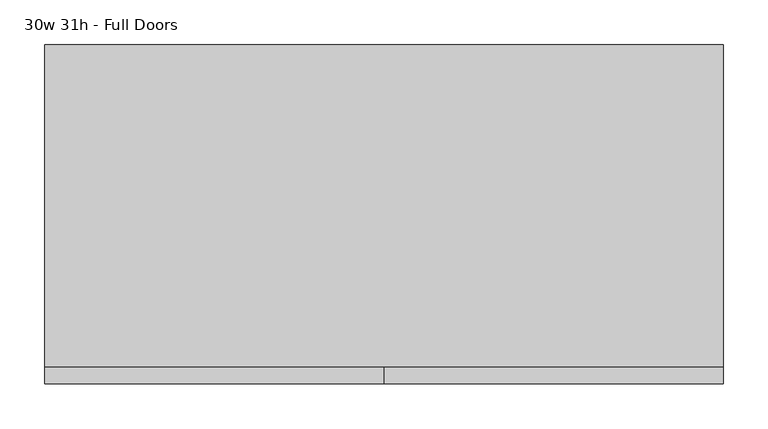
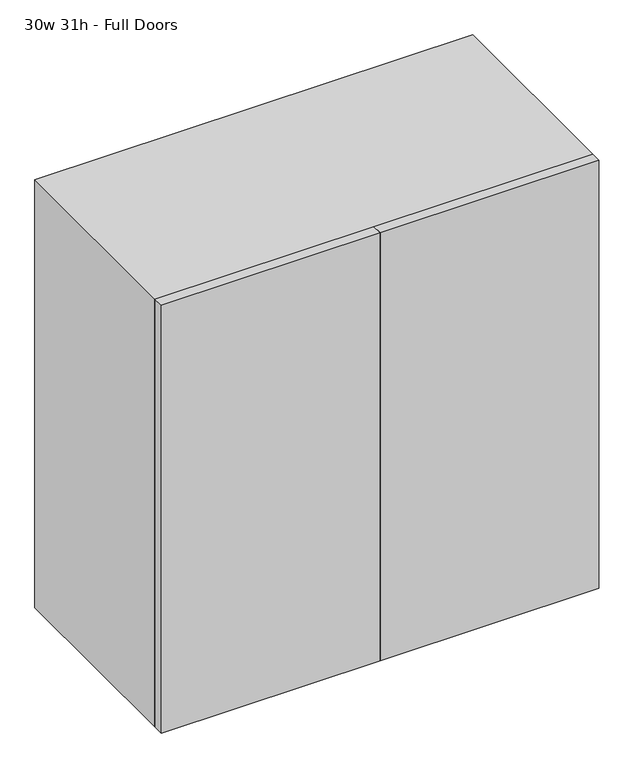
"""IFC4 building model written with IfcOpenShell, lengths in millimetres: furniture geometry, 30w 31h - Full Doors."""

from ifc_helpers import new_model, si_unit, frame, origin, place, context, project, spatial, polyline, outline, extrude, source, transform, mapped, element, save


def furniture_30w_31h_full_doors_8e504539(model_context):
    return source(origin(), model_context, "Body", "SweptSolid", [
        extrude(outline(polyline([(361.9569453, 161.925), (361.9569453, -180.975), (-361.9291641, -180.975), (-361.9291641, 161.925), (361.9569453, 161.925)])), frame((0.0, 0.0, 1258.3583333), z_axis=(0.0, 0.0, 1.0), x_axis=(1.0, 0.0, 0.0)), (0.0, 0.0, 1.0), 19.05),
        extrude(outline(polyline([(361.9569453, 161.925), (361.9569453, -180.975), (-361.9291641, -180.975), (-361.9291641, 161.925), (361.9569453, 161.925)])), frame((0.0, 0.0, 983.1916667), z_axis=(0.0, 0.0, 1.0), x_axis=(1.0, 0.0, 0.0)), (0.0, 0.0, 1.0), 19.05),
        extrude(outline(polyline([(0.0138906, -200.025), (0.0138906, -180.975), (381.0138906, -180.975), (381.0138906, -200.025), (0.0138906, -200.025)])), frame((0.0, 0.0, 736.6), z_axis=(0.0, 0.0, 1.0), x_axis=(1.0, 0.0, 0.0)), (0.0, 0.0, 1.0), 787.4),
        extrude(outline(polyline([(0.0138906, -200.025), (-380.9861094, -200.025), (-380.9861094, -180.975), (0.0138906, -180.975), (0.0138906, -200.025)])), frame((0.0, 0.0, 736.6), z_axis=(0.0, 0.0, 1.0), x_axis=(1.0, 0.0, 0.0)), (0.0, 0.0, 1.0), 787.4),
        extrude(outline(polyline([(736.6, -380.9861094), (736.6, 381.0138906), (1524.0, 381.0138906), (1524.0, -380.9861094), (736.6, -380.9861094)]), holes=[polyline([(755.65, -361.9361094), (1504.95, -361.9361094), (1504.95, 361.9569453), (755.65, 361.9569453), (755.65, -361.9361094)])]), frame((0.0, -180.975, 0.0), z_axis=(0.0, 1.0, 0.0), x_axis=(0.0, 0.0, 1.0)), (0.0, 0.0, 1.0), 361.95),
        extrude(outline(polyline([(-361.9291641, 161.925), (-361.9291641, 180.975), (361.9569453, 180.975), (361.9569453, 161.925), (-361.9291641, 161.925)])), frame((0.0, 0.0, 755.65), z_axis=(0.0, 0.0, 1.0), x_axis=(1.0, 0.0, 0.0)), (0.0, 0.0, 1.0), 749.3),
    ])


if __name__ == "__main__":
    model = new_model("IFC4")
    model_context = context("Model", 3, world=origin())
    ifc_project = project(units=[si_unit("LENGTHUNIT", "METRE", prefix="MILLI")], contexts=[model_context])
    site = spatial("IfcSite", under=ifc_project)
    building = spatial("IfcBuilding", under=site)
    placement = place(None, origin())
    furniture_30w_31h_full_doors_shape = furniture_30w_31h_full_doors_8e504539(model_context)
    element("IfcFurniture", 1, ObjectType="30w 31h - Full Doors", at=placement, inside=building, context=model_context, shape_type="MappedRepresentation", body=[
        mapped(furniture_30w_31h_full_doors_shape, transform((0.0, 0.0, 0.0), x_axis=(1.0, 0.0, 0.0), y_axis=(0.0, 1.0, 0.0), z_axis=(0.0, 0.0, 1.0))),
    ])
    save(model, "model.ifc")
